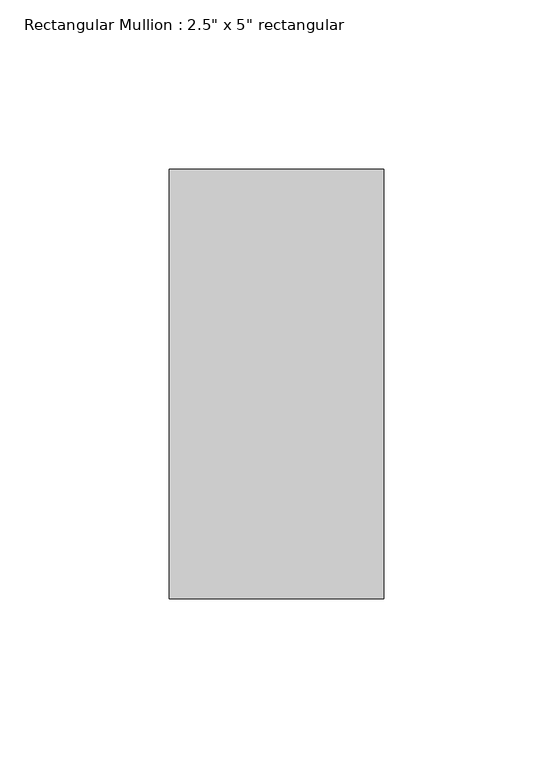
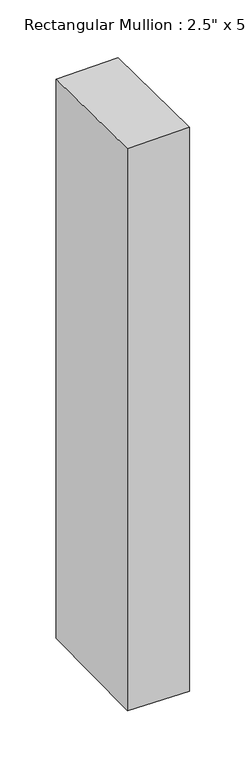
"""IFC4 building model written with IfcOpenShell, lengths in millimetres: member geometry."""

from ifc_helpers import new_model, si_unit, origin, place, context, project, spatial, faceted_brep, source, transform, mapped, element, save


def member_031dacd8(model_context):
    return source(origin(), model_context, "Body", "Brep", [
        faceted_brep([(-63.5, 63.5, -1.7133754), (0.0, 63.5, -0.7555246), (0.0, 63.5, -608.8981231), (-63.5, 63.5, -608.0208539), (-63.5, -63.5, -0.2023261), (-63.5, -63.5, -609.5331244), (0.0, -63.5, 0.7555246), (0.0, -63.5, -610.4103937)], [[[0, 1, 2, 3]], [[4, 0, 3, 5]], [[6, 4, 5, 7]], [[1, 6, 7, 2]], [[1, 0, 4, 6]], [[2, 7, 5, 3]]]),
    ])


if __name__ == "__main__":
    model = new_model("IFC4")
    model_context = context("Model", 3, world=origin())
    ifc_project = project(units=[si_unit("LENGTHUNIT", "METRE", prefix="MILLI")], contexts=[model_context])
    site = spatial("IfcSite", under=ifc_project)
    building = spatial("IfcBuilding", under=site)
    placement = place(None, origin())
    member_shape = member_031dacd8(model_context)
    element("IfcMember", 1, ObjectType="Rectangular Mullion : 2.5\" x 5\" rectangular", at=placement, inside=building, context=model_context, shape_type="MappedRepresentation", body=[
        mapped(member_shape, transform((0.0, 0.0, 0.0), x_axis=(1.0, 0.0, 0.0), y_axis=(0.0, 1.0, 0.0), z_axis=(0.0, 0.0, 1.0))),
    ])
    save(model, "model.ifc")
